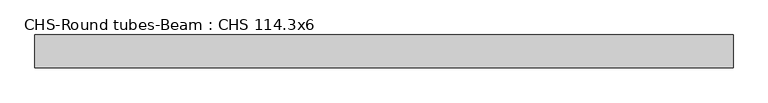
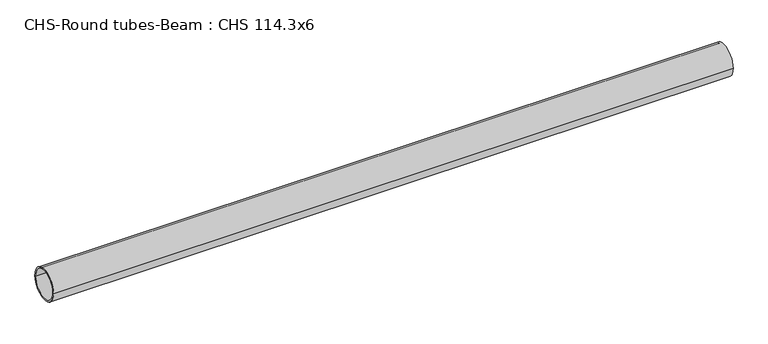
"""IFC4 building model written with IfcOpenShell, lengths in millimetres: beam geometry, CHS-Round tubes-Beam : CHS 114.3x6."""

from ifc_helpers import new_model, si_unit, point, frame, origin, origin_2d, place, context, project, spatial, circle_curve, trimmed, segment, composite_curve, outline, extrude, source, transform, mapped, element, save


def chs_round_tubes_beam_chs_114_3x6_18d0aecd(model_context):
    return source(origin(), model_context, "Body", "SweptSolid", [
        extrude(outline(composite_curve([segment(trimmed(circle_curve(origin_2d(), 57.15), [point((57.15, 0.0))], [point((-57.15, 0.0))], False, "CARTESIAN"), True, "CONTINUOUS"), segment(trimmed(circle_curve(origin_2d(), 57.15), [point((-57.15, 0.0))], [point((57.15, 0.0))], False, "CARTESIAN"), True, "CONTINUOUS")], self_intersect=False), holes=[composite_curve([segment(trimmed(circle_curve(origin_2d(), 51.15), [point((51.15, 0.0))], [point((-51.15, 0.0))], True, "CARTESIAN"), True, "CONTINUOUS"), segment(trimmed(circle_curve(origin_2d(), 51.15), [point((-51.15, 0.0))], [point((51.15, 0.0))], True, "CARTESIAN"), True, "CONTINUOUS")], self_intersect=False)]), frame((-1184.2356592, 0.0, 0.0), z_axis=(1.0, 0.0, 0.0), x_axis=(0.0, 1.0, 0.0)), (0.0, 0.0, 1.0), 2423.022113),
    ])


if __name__ == "__main__":
    model = new_model("IFC4")
    model_context = context("Model", 3, world=origin())
    ifc_project = project(units=[si_unit("LENGTHUNIT", "METRE", prefix="MILLI")], contexts=[model_context])
    site = spatial("IfcSite", under=ifc_project)
    building = spatial("IfcBuilding", under=site)
    placement = place(None, origin())
    chs_round_tubes_beam_chs_114_3x6_shape = chs_round_tubes_beam_chs_114_3x6_18d0aecd(model_context)
    element("IfcBeam", 1, ObjectType="CHS-Round tubes-Beam : CHS 114.3x6", at=placement, inside=building, context=model_context, shape_type="MappedRepresentation", body=[
        mapped(chs_round_tubes_beam_chs_114_3x6_shape, transform((0.0, 0.0, 0.0), x_axis=(1.0, 0.0, 0.0), y_axis=(0.0, 1.0, 0.0), z_axis=(0.0, 0.0, 1.0))),
    ])
    save(model, "model.ifc")
